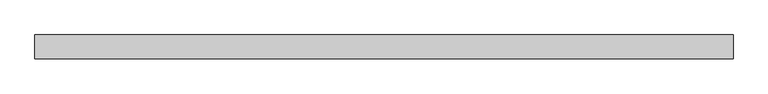
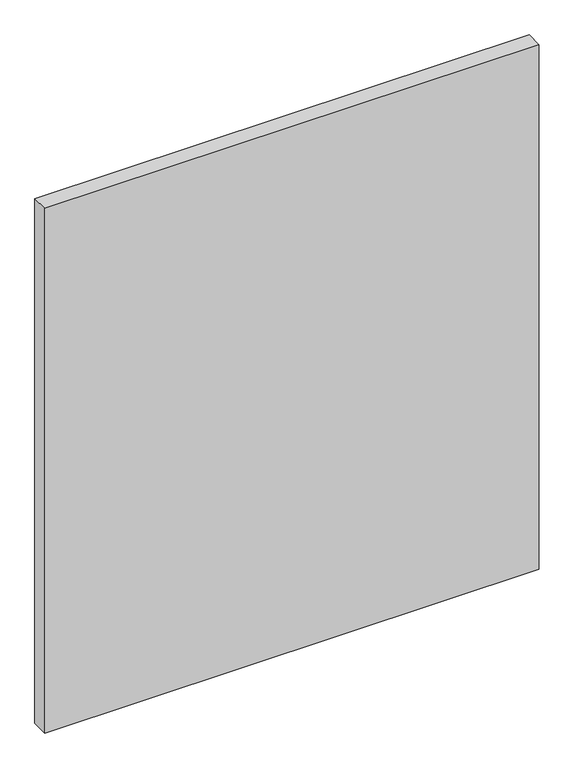
"""IFC4 building model written with IfcOpenShell, lengths in millimetres: plate geometry."""

from ifc_helpers import new_model, si_unit, origin, origin_with_axes, place, context, project, spatial, polyline, outline, extrude, source, transform, mapped, element, save


def plate_30df0711(model_context):
    return source(origin(), model_context, "Body", "SweptSolid", [
        extrude(outline(polyline([(510.0625, -17.5), (-510.0625, -17.5), (-510.0625, 17.5), (510.0625, 17.5), (510.0625, -17.5)])), origin_with_axes(), (0.0, 0.0, 1.0), 1143.8125),
    ])


if __name__ == "__main__":
    model = new_model("IFC4")
    model_context = context("Model", 3, world=origin())
    ifc_project = project(units=[si_unit("LENGTHUNIT", "METRE", prefix="MILLI")], contexts=[model_context])
    site = spatial("IfcSite", under=ifc_project)
    building = spatial("IfcBuilding", under=site)
    placement = place(None, origin())
    plate_shape = plate_30df0711(model_context)
    element("IfcPlate", 1, at=placement, inside=building, context=model_context, shape_type="MappedRepresentation", body=[
        mapped(plate_shape, transform((0.0, 0.0, 0.0), x_axis=(1.0, 0.0, 0.0), y_axis=(0.0, 1.0, 0.0), z_axis=(0.0, 0.0, 1.0))),
    ])
    save(model, "model.ifc")
